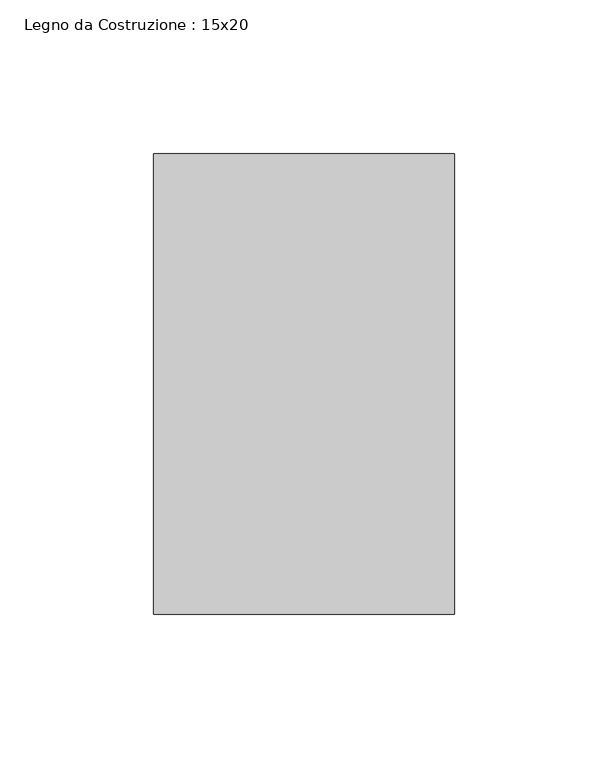
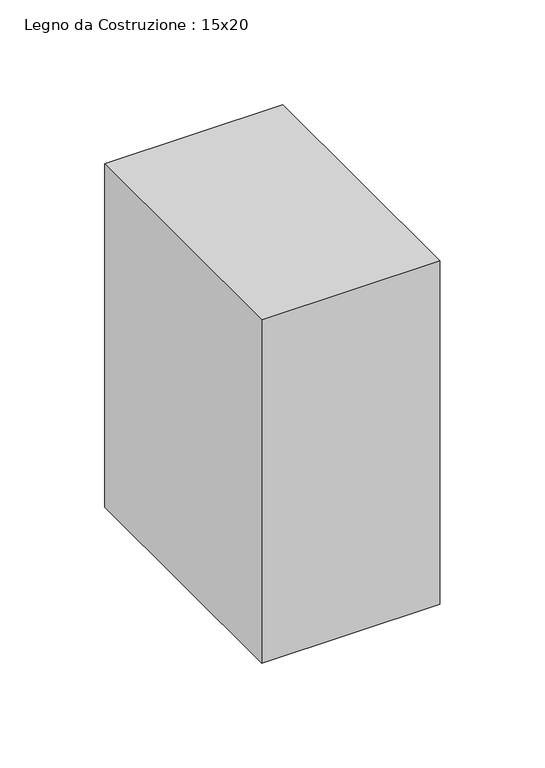
"""IFC4 building model written with IfcOpenShell, lengths in millimetres: beam geometry, Legno da Costruzione : 15x20."""

import ifcopenshell
import ifcopenshell.guid

model = None  # the IFC model being written
_history = None  # IfcOwnerHistory: only IFC2X3 demands one
_inside = {}  # id of a spatial element -> (the spatial element, [elements in it])
_under = {}  # id of a project, library or spatial element -> (it, [spatial elements below it])
_declared = {}  # id of a project -> (the project, [libraries it declares])
_typed = {}  # id of a type object -> (the type object, [elements of that type])
_made_of = {}  # id of a material, layer set ... -> (it, [elements and type objects made of it])


def new_model(schema):
    """Start an empty IFC model of exactly this schema.

    Asked for "IFC4X3", IfcOpenShell would pick the latest addendum, in which some entities
    have other attributes; the version numbers below select the first issue.
    IFC2X3 requires an IfcOwnerHistory on every rooted entity: one is made here for all.
    """
    global model, _history
    if schema == "IFC4X3":
        model = ifcopenshell.file(schema_version=(4, 3, 0, 0))
    else:
        model = ifcopenshell.file(schema=schema)
    _inside.clear()
    _under.clear()
    _declared.clear()
    _typed.clear()
    _made_of.clear()
    _history = None
    if model.schema == "IFC2X3":
        org = make("IfcOrganization", Name="unknown")
        user = make(
            "IfcPersonAndOrganization",
            ThePerson=make("IfcPerson", FamilyName="unknown"),
            TheOrganization=org,
        )
        app = make(
            "IfcApplication",
            ApplicationDeveloper=org,
            Version="unknown",
            ApplicationFullName="unknown",
            ApplicationIdentifier="unknown",
        )
        _history = make(
            "IfcOwnerHistory",
            OwningUser=user,
            OwningApplication=app,
            ChangeAction="ADDED",
            CreationDate=0,
        )
    return model


def make(cls, **values):
    """One entity of the class cls with the attributes given. An attribute that is None is left unset."""
    return model.create_entity(
        cls, **{name: value for name, value in values.items() if value is not None}
    )


def rooted(cls, **values):
    """An entity with a GlobalId (a new one), such as an element, a storey or a relation."""
    return make(cls, GlobalId=ifcopenshell.guid.new(), OwnerHistory=_history, **values)


def si_unit(unit_type, name, prefix=None):
    """IfcSIUnit, for example si_unit("LENGTHUNIT", "METRE", prefix="MILLI")."""
    return make("IfcSIUnit", UnitType=unit_type, Prefix=prefix, Name=name)


def assignment(units):
    """IfcUnitAssignment: the units of a project."""
    return None if units is None else make("IfcUnitAssignment", Units=units)


def point(xyz):
    """IfcCartesianPoint."""
    return None if xyz is None else make("IfcCartesianPoint", Coordinates=xyz)


def direction(xyz):
    """IfcDirection."""
    return None if xyz is None else make("IfcDirection", DirectionRatios=xyz)


def frame(location, z_axis=None, x_axis=None):
    """IfcAxis2Placement3D, a coordinate frame: its origin and axes. An axis left out is left unset."""
    return make(
        "IfcAxis2Placement3D",
        Location=point(location),
        Axis=direction(z_axis),
        RefDirection=direction(x_axis),
    )


def origin():
    """The frame at (0, 0, 0) with its axes left unset."""
    return frame((0.0, 0.0, 0.0))


def place(relative_to, where):
    """IfcLocalPlacement: puts the frame where relative to a parent placement (None: the world)."""
    return make(
        "IfcLocalPlacement", PlacementRelTo=relative_to, RelativePlacement=where
    )


def context(
    kind, dimensions, precision=None, world=None, true_north=None, identifier=None
):
    """IfcGeometricRepresentationContext, for example the 3D "Model" context."""
    return make(
        "IfcGeometricRepresentationContext",
        ContextIdentifier=identifier,
        ContextType=kind,
        CoordinateSpaceDimension=dimensions,
        Precision=precision,
        WorldCoordinateSystem=world,
        TrueNorth=true_north,
    )


def project(units=None, contexts=None):
    """IfcProject with its units and contexts."""
    return rooted(
        "IfcProject",
        Name="project",
        RepresentationContexts=contexts,
        UnitsInContext=assignment(units),
    )


def spatial(cls, under=None, at=None, **own):
    """A site, building, storey or space (cls), placed at a placement, below another one or the project."""
    s = rooted(cls, ObjectPlacement=at, **own)
    if under is not None:
        _under.setdefault(under.id(), (under, []))[1].append(s)
    return s


def polyline(points):
    """IfcPolyline through the points."""
    return make("IfcPolyline", Points=[point(p) for p in points])


def outline(outer, holes=None, kind="AREA"):
    """IfcArbitraryClosedProfileDef: a profile drawn as a closed curve; with holes, ...WithVoids."""
    if holes is None:
        return make("IfcArbitraryClosedProfileDef", ProfileType=kind, OuterCurve=outer)
    return make(
        "IfcArbitraryProfileDefWithVoids",
        ProfileType=kind,
        OuterCurve=outer,
        InnerCurves=holes,
    )


def extrude(swept, where, along, depth):
    """IfcExtrudedAreaSolid: the profile swept, set in the frame where, extruded along a direction by depth."""
    return make(
        "IfcExtrudedAreaSolid",
        SweptArea=swept,
        Position=where,
        ExtrudedDirection=direction(along),
        Depth=depth,
    )


def shape(context_of_items, identifier, shape_type, items):
    """IfcShapeRepresentation: the items that make up one representation, for example the "Body"."""
    return make(
        "IfcShapeRepresentation",
        ContextOfItems=context_of_items,
        RepresentationIdentifier=identifier,
        RepresentationType=shape_type,
        Items=items,
    )


def source(mapping_origin, context_of_items, identifier, shape_type, items):
    """IfcRepresentationMap: a shape defined once, which mapped items show again and again."""
    return make(
        "IfcRepresentationMap",
        MappingOrigin=mapping_origin,
        MappedRepresentation=shape(context_of_items, identifier, shape_type, items),
    )


def transform(
    local_origin,
    x_axis=None,
    y_axis=None,
    z_axis=None,
    scale=None,
    scale2=None,
    scale3=None,
    uniform=True,
):
    """IfcCartesianTransformationOperator3D, or its non-uniform kind. x_axis, y_axis, z_axis: its Axis1, 2, 3."""
    if uniform:
        return make(
            "IfcCartesianTransformationOperator3D",
            Axis1=direction(x_axis),
            Axis2=direction(y_axis),
            LocalOrigin=point(local_origin),
            Scale=scale,
            Axis3=direction(z_axis),
        )
    return make(
        "IfcCartesianTransformationOperator3DnonUniform",
        Axis1=direction(x_axis),
        Axis2=direction(y_axis),
        LocalOrigin=point(local_origin),
        Scale=scale,
        Axis3=direction(z_axis),
        Scale2=scale2,
        Scale3=scale3,
    )


def mapped(mapping_source, mapping_target):
    """IfcMappedItem: shows the shape of a source again, moved by a transform."""
    return make(
        "IfcMappedItem", MappingSource=mapping_source, MappingTarget=mapping_target
    )


def made_of(thing, what):
    """Note that an element or type object is made of a material, layer set ...; save() writes the relation."""
    if what is not None:
        _made_of.setdefault(what.id(), (what, []))[1].append(thing)
    return thing


def element(
    cls,
    number,
    at=None,
    inside=None,
    cuts=None,
    type_object=None,
    material=None,
    context=None,
    identifier="Body",
    shape_type=None,
    held_by="IfcProductDefinitionShape",
    body=None,
    shapes=None,
    **own,
):
    """One element of the class cls, such as IfcWall. Its Tag is "e" and its number.

    at: its placement. inside: the storey or other place that contains it. cuts: it is an
    opening in that element (IfcRelVoidsElement). A single representation is given by context,
    identifier, shape_type and body (its items); several are given by shapes. held_by: the class
    of the entity that holds the representations. save() writes the other relations.
    """
    e = rooted(cls, Tag="e%d" % number, ObjectPlacement=at, **own)
    if body is not None:
        shapes = [shape(context, identifier, shape_type, body)]
    if shapes is not None:
        e.Representation = make(held_by, Representations=shapes)
    if inside is not None:
        _inside.setdefault(inside.id(), (inside, []))[1].append(e)
    if cuts is not None:
        rooted(
            "IfcRelVoidsElement", RelatingBuildingElement=cuts, RelatedOpeningElement=e
        )
    if type_object is not None:
        _typed.setdefault(type_object.id(), (type_object, []))[1].append(e)
    return made_of(e, material)


def aggregate(whole, parts):
    """IfcRelAggregates: a whole, such as a stair, and the parts it consists of."""
    return rooted("IfcRelAggregates", RelatingObject=whole, RelatedObjects=parts)


def save(model, path):
    """Write the relations noted so far, then the file.

    IfcRelAggregates (storeys below a building ...), IfcRelContainedInSpatialStructure (elements
    in a storey), IfcRelDefinesByType, IfcRelAssociatesMaterial and IfcRelDeclares: one each for
    every whole, place, type object, material and project.
    """
    for whole, parts in _under.values():
        aggregate(whole, parts)
    for where, things in _inside.values():
        rooted(
            "IfcRelContainedInSpatialStructure",
            RelatedElements=things,
            RelatingStructure=where,
        )
    for kind, things in _typed.values():
        rooted("IfcRelDefinesByType", RelatedObjects=things, RelatingType=kind)
    for what, things in _made_of.values():
        rooted("IfcRelAssociatesMaterial", RelatedObjects=things, RelatingMaterial=what)
    for by, libraries in _declared.values():
        rooted("IfcRelDeclares", RelatingContext=by, RelatedDefinitions=libraries)
    model.write(path)


def legno_da_costruzione_15x20_2ed97723(model_context):
    return source(origin(), model_context, "Body", "SweptSolid", [
        extrude(outline(polyline([(49.0, 75.0), (49.0, -75.0), (-49.0, -75.0), (-49.0, 75.0), (49.0, 75.0)])), frame((0.0, 0.0, -100.0), z_axis=(0.0, 0.0, 1.0), x_axis=(1.0, 0.0, 0.0)), (0.0, 0.0, 1.0), 200.0),
    ])


if __name__ == "__main__":
    model = new_model("IFC4")
    model_context = context("Model", 3, world=origin())
    ifc_project = project(units=[si_unit("LENGTHUNIT", "METRE", prefix="MILLI")], contexts=[model_context])
    site = spatial("IfcSite", under=ifc_project)
    building = spatial("IfcBuilding", under=site)
    placement = place(None, origin())
    legno_da_costruzione_15x20_shape = legno_da_costruzione_15x20_2ed97723(model_context)
    element("IfcBeam", 1, ObjectType="Legno da Costruzione : 15x20", at=placement, inside=building, context=model_context, shape_type="MappedRepresentation", body=[
        mapped(legno_da_costruzione_15x20_shape, transform((0.0, 0.0, 0.0), x_axis=(1.0, 0.0, 0.0), y_axis=(0.0, 1.0, 0.0), z_axis=(0.0, 0.0, 1.0))),
    ])
    save(model, "model.ifc")
